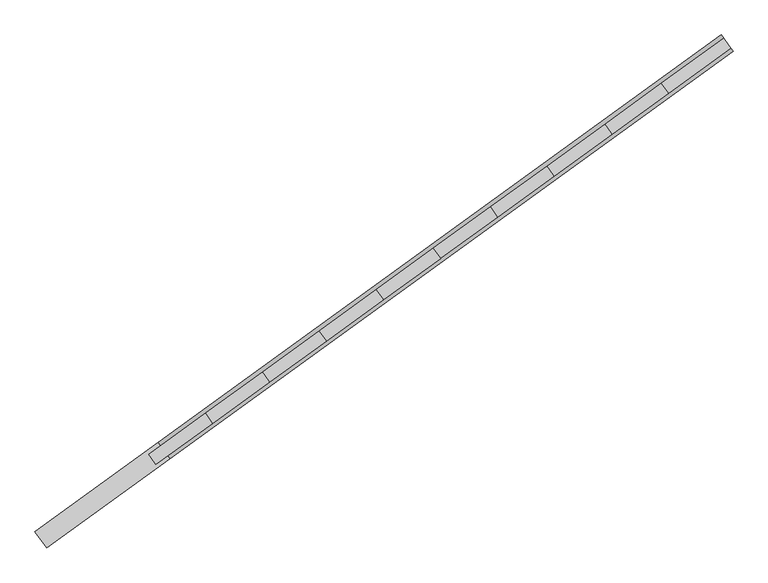
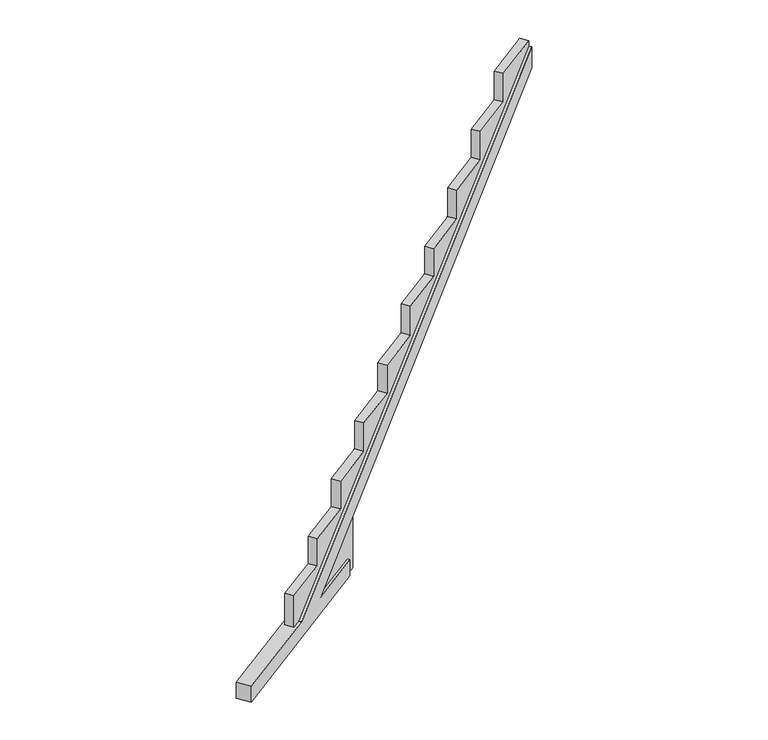
"""IFC4 building model written with IfcOpenShell, lengths in millimetres: beam geometry."""

from ifc_helpers import new_model, si_unit, origin, place, context, project, spatial, faceted_brep, source, transform, mapped, element, save


def beam_901e1753(model_context):
    return source(origin(), model_context, "Body", "Brep", [
        faceted_brep([(115283.6860241, 101571.7824822, -304.125), (115283.6860241, 101571.7824822, -76.4737243), (114597.8474069, 101075.0371965, -76.4737243), (119487.0944008, 104616.2644386, 3606.3888764), (119487.0944008, 104616.2644386, 3905.9492225), (114163.6620007, 100760.5615338, -76.4737243), (112998.9715431, 99916.9891837, -76.4737243), (112998.9715431, 99916.9891837, -304.125), (115172.3218396, 101725.5390662, -304.125), (112887.6073586, 100070.7457677, -304.125), (112887.6073586, 100070.7457677, -76.4737243), (114052.2978163, 100914.3181178, -76.4737243), (119375.7302164, 104770.0210226, 3905.9492225), (119375.7302164, 104770.0210226, 3606.3888764), (114486.4832224, 101228.7937805, -76.4737243), (115172.3218396, 101725.5390662, -76.4737243), (115194.5499027, 101694.8495671, -304.125), (115320.7672861, 101786.2674147, -304.125), (115389.4772957, 101691.4019388, -304.125), (115263.2599122, 101599.9840911, -304.125), (114143.2358889, 100788.7631428, -76.4737243), (114030.5347351, 100707.1349501, -76.4737243), (113961.8247256, 100802.000426, -76.4737243), (114074.5258793, 100883.6286187, -76.4737243), (119397.9582795, 104739.3315235, 3905.9492225), (119397.9582795, 104739.3315235, 3982.5116193), (119466.668289, 104644.4660475, 3982.5116193), (119466.668289, 104644.4660475, 3905.9492225), (114577.421295, 101103.2388054, -76.4737243), (115389.4772957, 101691.4019388, 535.2136538), (115320.7672861, 101786.2674147, 535.2136538), (114508.7112855, 101198.1042814, -76.4737243), (115263.2599122, 101599.9840911, -76.4737243), (115194.5499027, 101694.8495671, -76.4737243), (118877.0267208, 104217.395215, 3982.5116193), (118877.0267208, 104217.395215, 3577.5728422), (118345.118638, 103832.140104, 3577.5728422), (118345.118638, 103832.140104, 3173.8243174), (117798.3701899, 103436.1362814, 3173.8243174), (117798.3701899, 103436.1362814, 2763.3745723), (117263.7907267, 103048.9463194, 2763.3745723), (117263.7907267, 103048.9463194, 2367.9766577), (116722.4272602, 102656.8427792, 2367.9766577), (116722.4272602, 102656.8427792, 1957.5269125), (116183.7773951, 102266.7046702, 1957.5269125), (116183.7773951, 102266.7046702, 1558.804303), (115645.1486404, 101876.5818514, 1558.804303), (115645.1486404, 101876.5818514, 1155.0557782), (115107.8344654, 101487.411168, 1155.0557782), (115107.8344654, 101487.411168, 757.9825585), (114569.1846003, 101097.273059, 757.9825585), (114569.1846003, 101097.273059, 371.0129997), (114030.5347351, 100707.1349501, 371.0129997), (113961.8247256, 100802.000426, 371.0129997), (114500.4745907, 101192.1385349, 371.0129997), (114500.4745907, 101192.1385349, 757.9825585), (115039.1244559, 101582.2766439, 757.9825585), (115039.1244559, 101582.2766439, 1155.0557782), (115576.4386309, 101971.4473273, 1155.0557782), (115576.4386309, 101971.4473273, 1558.804303), (116115.0673855, 102361.5701461, 1558.804303), (116115.0673855, 102361.5701461, 1957.5269125), (116653.7172507, 102751.7082551, 1957.5269125), (116653.7172507, 102751.7082551, 2367.9766577), (117195.0807172, 103143.8117953, 2367.9766577), (117195.0807172, 103143.8117953, 2763.3745723), (117729.6601803, 103531.0017574, 2763.3745723), (117729.6601803, 103531.0017574, 3173.8243174), (118276.4086285, 103927.0055799, 3173.8243174), (118276.4086285, 103927.0055799, 3577.5728422), (118808.3167113, 104312.2606909, 3577.5728422), (118808.3167113, 104312.2606909, 3982.5116193)], [[[0, 1, 2, 3, 4, 5, 6, 7]], [[8, 9, 10, 11, 12, 13, 14, 15]], [[0, 7, 9, 8, 16, 17, 18, 19]], [[9, 7, 6, 10]], [[6, 5, 20, 21, 22, 23, 11, 10]], [[4, 3, 13, 12, 24, 25, 26, 27]], [[3, 2, 28, 29, 30, 31, 14, 13]], [[2, 1, 32, 28]], [[15, 14, 31, 33]], [[1, 0, 19, 32]], [[8, 15, 33, 16]], [[19, 18, 29, 28, 32]], [[26, 34, 35, 36, 37, 38, 39, 40, 41, 42, 43, 44, 45, 46, 47, 48, 49, 50, 51, 52, 21, 20, 27]], [[17, 16, 33, 31, 30]], [[53, 54, 55, 56, 57, 58, 59, 60, 61, 62, 63, 64, 65, 66, 67, 68, 69, 70, 71, 25, 24, 23, 22]], [[18, 17, 30, 29]], [[52, 53, 22, 21]], [[52, 51, 54, 53]], [[51, 50, 55, 54]], [[50, 49, 56, 55]], [[49, 48, 57, 56]], [[48, 47, 58, 57]], [[47, 46, 59, 58]], [[46, 45, 60, 59]], [[45, 44, 61, 60]], [[44, 43, 62, 61]], [[43, 42, 63, 62]], [[42, 41, 64, 63]], [[41, 40, 65, 64]], [[40, 39, 66, 65]], [[39, 38, 67, 66]], [[38, 37, 68, 67]], [[37, 36, 69, 68]], [[36, 35, 70, 69]], [[35, 34, 71, 70]], [[34, 26, 25, 71]], [[5, 4, 27, 20]], [[12, 11, 23, 24]]]),
    ])


if __name__ == "__main__":
    model = new_model("IFC4")
    model_context = context("Model", 3, world=origin())
    ifc_project = project(units=[si_unit("LENGTHUNIT", "METRE", prefix="MILLI")], contexts=[model_context])
    site = spatial("IfcSite", under=ifc_project)
    building = spatial("IfcBuilding", under=site)
    placement = place(None, origin())
    beam_shape = beam_901e1753(model_context)
    element("IfcBeam", 1, at=placement, inside=building, context=model_context, shape_type="MappedRepresentation", body=[
        mapped(beam_shape, transform((0.0, 0.0, 0.0), x_axis=(1.0, 0.0, 0.0), y_axis=(0.0, 1.0, 0.0), z_axis=(0.0, 0.0, 1.0))),
    ])
    save(model, "model.ifc")
